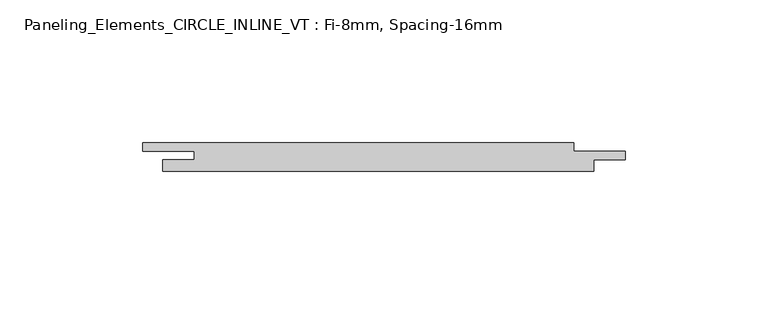
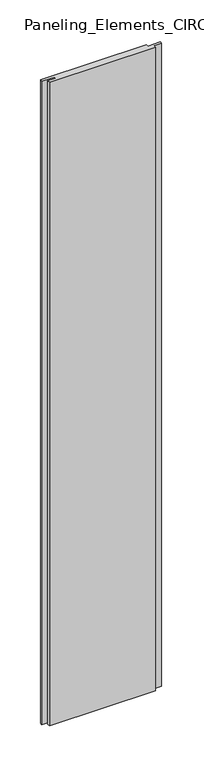
"""IFC4 building model written with IfcOpenShell, lengths in millimetres: plate geometry, Paneling_Elements_CIRCLE_INLINE_VT : Fi-8mm, Spacing-16mm."""

from ifc_helpers import new_model, si_unit, origin, origin_with_axes, place, context, project, spatial, polyline, outline, extrude, source, transform, mapped, element, save


def paneling_elements_circle_inline_vt_fi_8mm_spacing_16mm_e1f3d149(model_context):
    return source(origin(), model_context, "Body", "SweptSolid", [
        extrude(outline(polyline([(68.5, 5.0), (68.5, 2.0), (86.5, 2.0), (86.5, -1.0), (75.5, -1.0), (75.5, -5.0), (-75.5, -5.0), (-75.5, -1.0), (-64.5, -1.0), (-64.5, 2.0), (-82.5, 2.0), (-82.5, 5.0), (68.5, 5.0)])), origin_with_axes(), (0.0, 0.0, 1.0), 966.8),
    ])


if __name__ == "__main__":
    model = new_model("IFC4")
    model_context = context("Model", 3, world=origin())
    ifc_project = project(units=[si_unit("LENGTHUNIT", "METRE", prefix="MILLI")], contexts=[model_context])
    site = spatial("IfcSite", under=ifc_project)
    building = spatial("IfcBuilding", under=site)
    placement = place(None, origin())
    paneling_elements_circle_inline_vt_fi_8mm_spacing_16mm_shape = paneling_elements_circle_inline_vt_fi_8mm_spacing_16mm_e1f3d149(model_context)
    element("IfcPlate", 1, ObjectType="Paneling_Elements_CIRCLE_INLINE_VT : Fi-8mm, Spacing-16mm", at=placement, inside=building, context=model_context, shape_type="MappedRepresentation", body=[
        mapped(paneling_elements_circle_inline_vt_fi_8mm_spacing_16mm_shape, transform((0.0, 0.0, 0.0), x_axis=(1.0, 0.0, 0.0), y_axis=(0.0, 1.0, 0.0), z_axis=(0.0, 0.0, 1.0))),
    ])
    save(model, "model.ifc")
